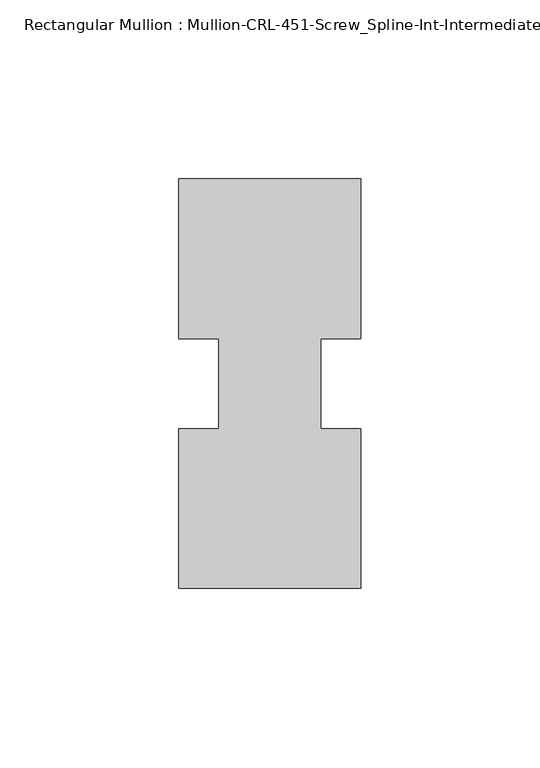
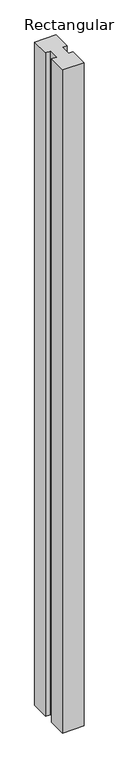
"""IFC4 building model written with IfcOpenShell, lengths in millimetres: member geometry, Rectangular Mullion : Mullion-CRL-451-Screw_Spline-Int-Intermediate_Horizontal."""

from ifc_helpers import new_model, si_unit, frame, origin, place, context, project, spatial, polyline, outline, extrude, source, transform, mapped, element, save


def rectangular_mullion_mullion_crl_451_screw_spline_int_01ce04d5(model_context):
    return source(origin(), model_context, "Body", "SweptSolid", [
        extrude(outline(polyline([(25.4, -57.15), (-25.4, -57.15), (-25.4, -12.7), (-14.2875, -12.7), (-14.2875, 12.5476134), (-25.4, 12.5476134), (-25.4, 57.15), (25.4, 57.15), (25.4, 12.5476134), (14.2875, 12.5476134), (14.2875, -12.7), (25.4, -12.7), (25.4, -57.15)])), frame((0.0, 0.0, -1657.3498547), z_axis=(0.0, 0.0, 1.0), x_axis=(1.0, 0.0, 0.0)), (0.0, 0.0, 1.0), 1657.3498547),
    ])


if __name__ == "__main__":
    model = new_model("IFC4")
    model_context = context("Model", 3, world=origin())
    ifc_project = project(units=[si_unit("LENGTHUNIT", "METRE", prefix="MILLI")], contexts=[model_context])
    site = spatial("IfcSite", under=ifc_project)
    building = spatial("IfcBuilding", under=site)
    placement = place(None, origin())
    rectangular_mullion_mullion_crl_451_screw_spline_int_shape = rectangular_mullion_mullion_crl_451_screw_spline_int_01ce04d5(model_context)
    element("IfcMember", 1, ObjectType="Rectangular Mullion : Mullion-CRL-451-Screw_Spline-Int-Intermediate_Horizontal", at=placement, inside=building, context=model_context, shape_type="MappedRepresentation", body=[
        mapped(rectangular_mullion_mullion_crl_451_screw_spline_int_shape, transform((0.0, 0.0, 0.0), x_axis=(1.0, 0.0, 0.0), y_axis=(0.0, 1.0, 0.0), z_axis=(0.0, 0.0, 1.0))),
    ])
    save(model, "model.ifc")
